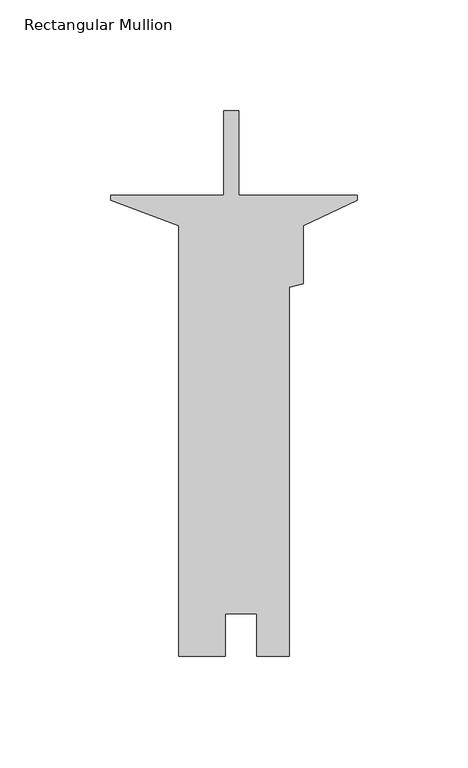
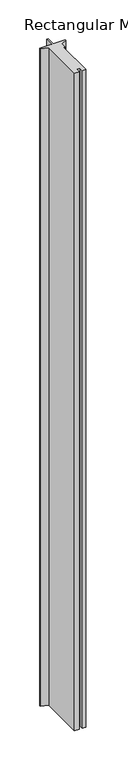
"""IFC4 building model written with IfcOpenShell, lengths in millimetres: member geometry, Rectangular Mullion."""

from ifc_helpers import new_model, si_unit, frame, origin, place, context, project, spatial, polyline, outline, extrude, source, transform, mapped, element, save


def rectangular_mullion_2cf9b070(model_context):
    return source(origin(), model_context, "Body", "SweptSolid", [
        extrude(outline(polyline([(-59.5756934, -207.9492903), (-80.4545, -207.9492903), (-80.4545, -13.8032279), (-111.125, -2.3667703), (-111.125, 0.0144797), (-60.2059375, 0.0144797), (-60.2059375, 38.1132533), (-53.4749375, 38.1132533), (-53.4749375, 0.0144797), (0.0, 0.0144797), (0.0, -2.3667703), (-24.3205, -13.658431), (-24.3205, -39.9248029), (-30.6705, -41.6262803), (-30.6705, -207.9492916), (-45.2628, -207.9492916), (-45.2628, -188.9246916), (-59.5756934, -188.9246916), (-59.5756934, -207.9492903)])), frame((0.0, 0.0, -3048.0), z_axis=(0.0, 0.0, 1.0), x_axis=(1.0, 0.0, 0.0)), (0.0, 0.0, 1.0), 3048.0),
    ])


if __name__ == "__main__":
    model = new_model("IFC4")
    model_context = context("Model", 3, world=origin())
    ifc_project = project(units=[si_unit("LENGTHUNIT", "METRE", prefix="MILLI")], contexts=[model_context])
    site = spatial("IfcSite", under=ifc_project)
    building = spatial("IfcBuilding", under=site)
    placement = place(None, origin())
    rectangular_mullion_shape = rectangular_mullion_2cf9b070(model_context)
    element("IfcMember", 1, ObjectType="Rectangular Mullion", at=placement, inside=building, context=model_context, shape_type="MappedRepresentation", body=[
        mapped(rectangular_mullion_shape, transform((0.0, 0.0, 0.0), x_axis=(1.0, 0.0, 0.0), y_axis=(0.0, 1.0, 0.0), z_axis=(0.0, 0.0, 1.0))),
    ])
    save(model, "model.ifc")
